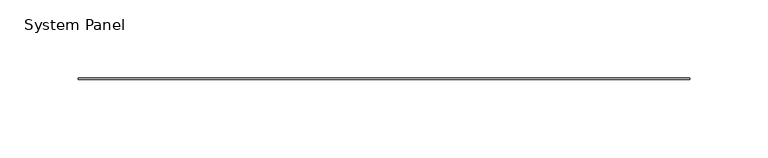
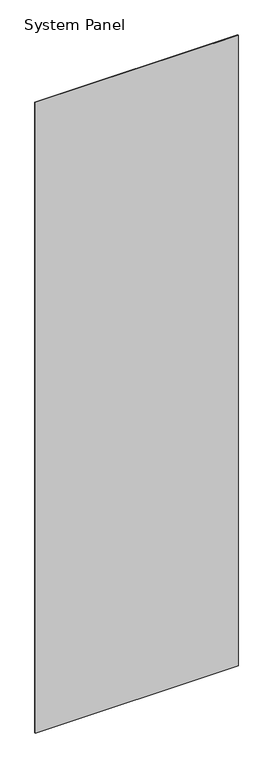
"""IFC4 building model written with IfcOpenShell, lengths in millimetres: plate geometry, System Panel."""

import ifcopenshell
import ifcopenshell.guid

model = None  # the IFC model being written
_history = None  # IfcOwnerHistory: only IFC2X3 demands one
_inside = {}  # id of a spatial element -> (the spatial element, [elements in it])
_under = {}  # id of a project, library or spatial element -> (it, [spatial elements below it])
_declared = {}  # id of a project -> (the project, [libraries it declares])
_typed = {}  # id of a type object -> (the type object, [elements of that type])
_made_of = {}  # id of a material, layer set ... -> (it, [elements and type objects made of it])


def new_model(schema):
    """Start an empty IFC model of exactly this schema.

    Asked for "IFC4X3", IfcOpenShell would pick the latest addendum, in which some entities
    have other attributes; the version numbers below select the first issue.
    IFC2X3 requires an IfcOwnerHistory on every rooted entity: one is made here for all.
    """
    global model, _history
    if schema == "IFC4X3":
        model = ifcopenshell.file(schema_version=(4, 3, 0, 0))
    else:
        model = ifcopenshell.file(schema=schema)
    _inside.clear()
    _under.clear()
    _declared.clear()
    _typed.clear()
    _made_of.clear()
    _history = None
    if model.schema == "IFC2X3":
        org = make("IfcOrganization", Name="unknown")
        user = make(
            "IfcPersonAndOrganization",
            ThePerson=make("IfcPerson", FamilyName="unknown"),
            TheOrganization=org,
        )
        app = make(
            "IfcApplication",
            ApplicationDeveloper=org,
            Version="unknown",
            ApplicationFullName="unknown",
            ApplicationIdentifier="unknown",
        )
        _history = make(
            "IfcOwnerHistory",
            OwningUser=user,
            OwningApplication=app,
            ChangeAction="ADDED",
            CreationDate=0,
        )
    return model


def make(cls, **values):
    """One entity of the class cls with the attributes given. An attribute that is None is left unset."""
    return model.create_entity(
        cls, **{name: value for name, value in values.items() if value is not None}
    )


def rooted(cls, **values):
    """An entity with a GlobalId (a new one), such as an element, a storey or a relation."""
    return make(cls, GlobalId=ifcopenshell.guid.new(), OwnerHistory=_history, **values)


def si_unit(unit_type, name, prefix=None):
    """IfcSIUnit, for example si_unit("LENGTHUNIT", "METRE", prefix="MILLI")."""
    return make("IfcSIUnit", UnitType=unit_type, Prefix=prefix, Name=name)


def assignment(units):
    """IfcUnitAssignment: the units of a project."""
    return None if units is None else make("IfcUnitAssignment", Units=units)


def point(xyz):
    """IfcCartesianPoint."""
    return None if xyz is None else make("IfcCartesianPoint", Coordinates=xyz)


def direction(xyz):
    """IfcDirection."""
    return None if xyz is None else make("IfcDirection", DirectionRatios=xyz)


def frame(location, z_axis=None, x_axis=None):
    """IfcAxis2Placement3D, a coordinate frame: its origin and axes. An axis left out is left unset."""
    return make(
        "IfcAxis2Placement3D",
        Location=point(location),
        Axis=direction(z_axis),
        RefDirection=direction(x_axis),
    )


def origin():
    """The frame at (0, 0, 0) with its axes left unset."""
    return frame((0.0, 0.0, 0.0))


def origin_with_axes():
    """The frame at (0, 0, 0) with the z axis (0, 0, 1) and the x axis (1, 0, 0) written out."""
    return frame((0.0, 0.0, 0.0), z_axis=(0.0, 0.0, 1.0), x_axis=(1.0, 0.0, 0.0))


def place(relative_to, where):
    """IfcLocalPlacement: puts the frame where relative to a parent placement (None: the world)."""
    return make(
        "IfcLocalPlacement", PlacementRelTo=relative_to, RelativePlacement=where
    )


def context(
    kind, dimensions, precision=None, world=None, true_north=None, identifier=None
):
    """IfcGeometricRepresentationContext, for example the 3D "Model" context."""
    return make(
        "IfcGeometricRepresentationContext",
        ContextIdentifier=identifier,
        ContextType=kind,
        CoordinateSpaceDimension=dimensions,
        Precision=precision,
        WorldCoordinateSystem=world,
        TrueNorth=true_north,
    )


def project(units=None, contexts=None):
    """IfcProject with its units and contexts."""
    return rooted(
        "IfcProject",
        Name="project",
        RepresentationContexts=contexts,
        UnitsInContext=assignment(units),
    )


def spatial(cls, under=None, at=None, **own):
    """A site, building, storey or space (cls), placed at a placement, below another one or the project."""
    s = rooted(cls, ObjectPlacement=at, **own)
    if under is not None:
        _under.setdefault(under.id(), (under, []))[1].append(s)
    return s


def polyline(points):
    """IfcPolyline through the points."""
    return make("IfcPolyline", Points=[point(p) for p in points])


def outline(outer, holes=None, kind="AREA"):
    """IfcArbitraryClosedProfileDef: a profile drawn as a closed curve; with holes, ...WithVoids."""
    if holes is None:
        return make("IfcArbitraryClosedProfileDef", ProfileType=kind, OuterCurve=outer)
    return make(
        "IfcArbitraryProfileDefWithVoids",
        ProfileType=kind,
        OuterCurve=outer,
        InnerCurves=holes,
    )


def extrude(swept, where, along, depth):
    """IfcExtrudedAreaSolid: the profile swept, set in the frame where, extruded along a direction by depth."""
    return make(
        "IfcExtrudedAreaSolid",
        SweptArea=swept,
        Position=where,
        ExtrudedDirection=direction(along),
        Depth=depth,
    )


def shape(context_of_items, identifier, shape_type, items):
    """IfcShapeRepresentation: the items that make up one representation, for example the "Body"."""
    return make(
        "IfcShapeRepresentation",
        ContextOfItems=context_of_items,
        RepresentationIdentifier=identifier,
        RepresentationType=shape_type,
        Items=items,
    )


def source(mapping_origin, context_of_items, identifier, shape_type, items):
    """IfcRepresentationMap: a shape defined once, which mapped items show again and again."""
    return make(
        "IfcRepresentationMap",
        MappingOrigin=mapping_origin,
        MappedRepresentation=shape(context_of_items, identifier, shape_type, items),
    )


def transform(
    local_origin,
    x_axis=None,
    y_axis=None,
    z_axis=None,
    scale=None,
    scale2=None,
    scale3=None,
    uniform=True,
):
    """IfcCartesianTransformationOperator3D, or its non-uniform kind. x_axis, y_axis, z_axis: its Axis1, 2, 3."""
    if uniform:
        return make(
            "IfcCartesianTransformationOperator3D",
            Axis1=direction(x_axis),
            Axis2=direction(y_axis),
            LocalOrigin=point(local_origin),
            Scale=scale,
            Axis3=direction(z_axis),
        )
    return make(
        "IfcCartesianTransformationOperator3DnonUniform",
        Axis1=direction(x_axis),
        Axis2=direction(y_axis),
        LocalOrigin=point(local_origin),
        Scale=scale,
        Axis3=direction(z_axis),
        Scale2=scale2,
        Scale3=scale3,
    )


def mapped(mapping_source, mapping_target):
    """IfcMappedItem: shows the shape of a source again, moved by a transform."""
    return make(
        "IfcMappedItem", MappingSource=mapping_source, MappingTarget=mapping_target
    )


def made_of(thing, what):
    """Note that an element or type object is made of a material, layer set ...; save() writes the relation."""
    if what is not None:
        _made_of.setdefault(what.id(), (what, []))[1].append(thing)
    return thing


def element(
    cls,
    number,
    at=None,
    inside=None,
    cuts=None,
    type_object=None,
    material=None,
    context=None,
    identifier="Body",
    shape_type=None,
    held_by="IfcProductDefinitionShape",
    body=None,
    shapes=None,
    **own,
):
    """One element of the class cls, such as IfcWall. Its Tag is "e" and its number.

    at: its placement. inside: the storey or other place that contains it. cuts: it is an
    opening in that element (IfcRelVoidsElement). A single representation is given by context,
    identifier, shape_type and body (its items); several are given by shapes. held_by: the class
    of the entity that holds the representations. save() writes the other relations.
    """
    e = rooted(cls, Tag="e%d" % number, ObjectPlacement=at, **own)
    if body is not None:
        shapes = [shape(context, identifier, shape_type, body)]
    if shapes is not None:
        e.Representation = make(held_by, Representations=shapes)
    if inside is not None:
        _inside.setdefault(inside.id(), (inside, []))[1].append(e)
    if cuts is not None:
        rooted(
            "IfcRelVoidsElement", RelatingBuildingElement=cuts, RelatedOpeningElement=e
        )
    if type_object is not None:
        _typed.setdefault(type_object.id(), (type_object, []))[1].append(e)
    return made_of(e, material)


def aggregate(whole, parts):
    """IfcRelAggregates: a whole, such as a stair, and the parts it consists of."""
    return rooted("IfcRelAggregates", RelatingObject=whole, RelatedObjects=parts)


def save(model, path):
    """Write the relations noted so far, then the file.

    IfcRelAggregates (storeys below a building ...), IfcRelContainedInSpatialStructure (elements
    in a storey), IfcRelDefinesByType, IfcRelAssociatesMaterial and IfcRelDeclares: one each for
    every whole, place, type object, material and project.
    """
    for whole, parts in _under.values():
        aggregate(whole, parts)
    for where, things in _inside.values():
        rooted(
            "IfcRelContainedInSpatialStructure",
            RelatedElements=things,
            RelatingStructure=where,
        )
    for kind, things in _typed.values():
        rooted("IfcRelDefinesByType", RelatedObjects=things, RelatingType=kind)
    for what, things in _made_of.values():
        rooted("IfcRelAssociatesMaterial", RelatedObjects=things, RelatingMaterial=what)
    for by, libraries in _declared.values():
        rooted("IfcRelDeclares", RelatingContext=by, RelatedDefinitions=libraries)
    model.write(path)


def system_panel_01bf038d(model_context):
    return source(origin(), model_context, "Body", "SweptSolid", [
        extrude(outline(polyline([(195.58, -0.4960937), (-195.58, -0.4960937), (-195.58, 0.4960938), (195.58, 0.4960938), (195.58, -0.4960937)])), origin_with_axes(), (0.0, 0.0, 1.0), 1285.875),
    ])


if __name__ == "__main__":
    model = new_model("IFC4")
    model_context = context("Model", 3, world=origin())
    ifc_project = project(units=[si_unit("LENGTHUNIT", "METRE", prefix="MILLI")], contexts=[model_context])
    site = spatial("IfcSite", under=ifc_project)
    building = spatial("IfcBuilding", under=site)
    placement = place(None, origin())
    system_panel_shape = system_panel_01bf038d(model_context)
    element("IfcPlate", 1, ObjectType="System Panel", at=placement, inside=building, context=model_context, shape_type="MappedRepresentation", body=[
        mapped(system_panel_shape, transform((0.0, 0.0, 0.0), x_axis=(1.0, 0.0, 0.0), y_axis=(0.0, 1.0, 0.0), z_axis=(0.0, 0.0, 1.0))),
    ])
    save(model, "model.ifc")
